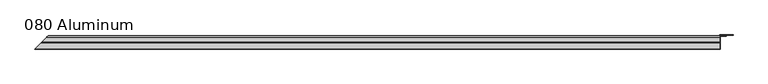
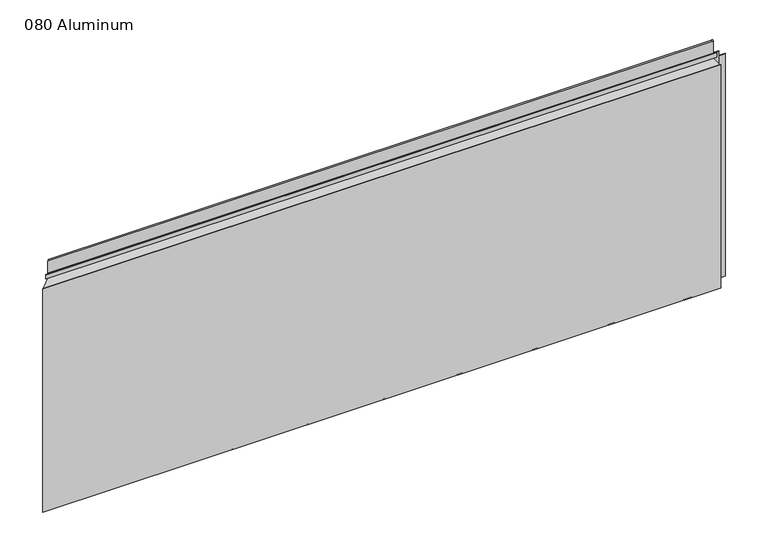
"""IFC4 building model written with IfcOpenShell, lengths in millimetres: plate geometry, 080 Aluminum."""

import ifcopenshell
import ifcopenshell.guid

model = None  # the IFC model being written
_history = None  # IfcOwnerHistory: only IFC2X3 demands one
_inside = {}  # id of a spatial element -> (the spatial element, [elements in it])
_under = {}  # id of a project, library or spatial element -> (it, [spatial elements below it])
_declared = {}  # id of a project -> (the project, [libraries it declares])
_typed = {}  # id of a type object -> (the type object, [elements of that type])
_made_of = {}  # id of a material, layer set ... -> (it, [elements and type objects made of it])


def new_model(schema):
    """Start an empty IFC model of exactly this schema.

    Asked for "IFC4X3", IfcOpenShell would pick the latest addendum, in which some entities
    have other attributes; the version numbers below select the first issue.
    IFC2X3 requires an IfcOwnerHistory on every rooted entity: one is made here for all.
    """
    global model, _history
    if schema == "IFC4X3":
        model = ifcopenshell.file(schema_version=(4, 3, 0, 0))
    else:
        model = ifcopenshell.file(schema=schema)
    _inside.clear()
    _under.clear()
    _declared.clear()
    _typed.clear()
    _made_of.clear()
    _history = None
    if model.schema == "IFC2X3":
        org = make("IfcOrganization", Name="unknown")
        user = make(
            "IfcPersonAndOrganization",
            ThePerson=make("IfcPerson", FamilyName="unknown"),
            TheOrganization=org,
        )
        app = make(
            "IfcApplication",
            ApplicationDeveloper=org,
            Version="unknown",
            ApplicationFullName="unknown",
            ApplicationIdentifier="unknown",
        )
        _history = make(
            "IfcOwnerHistory",
            OwningUser=user,
            OwningApplication=app,
            ChangeAction="ADDED",
            CreationDate=0,
        )
    return model


def make(cls, **values):
    """One entity of the class cls with the attributes given. An attribute that is None is left unset."""
    return model.create_entity(
        cls, **{name: value for name, value in values.items() if value is not None}
    )


def rooted(cls, **values):
    """An entity with a GlobalId (a new one), such as an element, a storey or a relation."""
    return make(cls, GlobalId=ifcopenshell.guid.new(), OwnerHistory=_history, **values)


def si_unit(unit_type, name, prefix=None):
    """IfcSIUnit, for example si_unit("LENGTHUNIT", "METRE", prefix="MILLI")."""
    return make("IfcSIUnit", UnitType=unit_type, Prefix=prefix, Name=name)


def assignment(units):
    """IfcUnitAssignment: the units of a project."""
    return None if units is None else make("IfcUnitAssignment", Units=units)


def point(xyz):
    """IfcCartesianPoint."""
    return None if xyz is None else make("IfcCartesianPoint", Coordinates=xyz)


def direction(xyz):
    """IfcDirection."""
    return None if xyz is None else make("IfcDirection", DirectionRatios=xyz)


def frame(location, z_axis=None, x_axis=None):
    """IfcAxis2Placement3D, a coordinate frame: its origin and axes. An axis left out is left unset."""
    return make(
        "IfcAxis2Placement3D",
        Location=point(location),
        Axis=direction(z_axis),
        RefDirection=direction(x_axis),
    )


def origin():
    """The frame at (0, 0, 0) with its axes left unset."""
    return frame((0.0, 0.0, 0.0))


def origin_with_axes():
    """The frame at (0, 0, 0) with the z axis (0, 0, 1) and the x axis (1, 0, 0) written out."""
    return frame((0.0, 0.0, 0.0), z_axis=(0.0, 0.0, 1.0), x_axis=(1.0, 0.0, 0.0))


def place(relative_to, where):
    """IfcLocalPlacement: puts the frame where relative to a parent placement (None: the world)."""
    return make(
        "IfcLocalPlacement", PlacementRelTo=relative_to, RelativePlacement=where
    )


def context(
    kind, dimensions, precision=None, world=None, true_north=None, identifier=None
):
    """IfcGeometricRepresentationContext, for example the 3D "Model" context."""
    return make(
        "IfcGeometricRepresentationContext",
        ContextIdentifier=identifier,
        ContextType=kind,
        CoordinateSpaceDimension=dimensions,
        Precision=precision,
        WorldCoordinateSystem=world,
        TrueNorth=true_north,
    )


def project(units=None, contexts=None):
    """IfcProject with its units and contexts."""
    return rooted(
        "IfcProject",
        Name="project",
        RepresentationContexts=contexts,
        UnitsInContext=assignment(units),
    )


def spatial(cls, under=None, at=None, **own):
    """A site, building, storey or space (cls), placed at a placement, below another one or the project."""
    s = rooted(cls, ObjectPlacement=at, **own)
    if under is not None:
        _under.setdefault(under.id(), (under, []))[1].append(s)
    return s


def polyline(points):
    """IfcPolyline through the points."""
    return make("IfcPolyline", Points=[point(p) for p in points])


def circle_curve(where, radius):
    """IfcCircle in the frame where."""
    return make("IfcCircle", Position=where, Radius=radius)


def ellipse_curve(where, semi_axis1, semi_axis2):
    """IfcEllipse in the frame where."""
    return make(
        "IfcEllipse", Position=where, SemiAxis1=semi_axis1, SemiAxis2=semi_axis2
    )


def outline(outer, holes=None, kind="AREA"):
    """IfcArbitraryClosedProfileDef: a profile drawn as a closed curve; with holes, ...WithVoids."""
    if holes is None:
        return make("IfcArbitraryClosedProfileDef", ProfileType=kind, OuterCurve=outer)
    return make(
        "IfcArbitraryProfileDefWithVoids",
        ProfileType=kind,
        OuterCurve=outer,
        InnerCurves=holes,
    )


def extrude(swept, where, along, depth):
    """IfcExtrudedAreaSolid: the profile swept, set in the frame where, extruded along a direction by depth."""
    return make(
        "IfcExtrudedAreaSolid",
        SweptArea=swept,
        Position=where,
        ExtrudedDirection=direction(along),
        Depth=depth,
    )


def shape(context_of_items, identifier, shape_type, items):
    """IfcShapeRepresentation: the items that make up one representation, for example the "Body"."""
    return make(
        "IfcShapeRepresentation",
        ContextOfItems=context_of_items,
        RepresentationIdentifier=identifier,
        RepresentationType=shape_type,
        Items=items,
    )


def source(mapping_origin, context_of_items, identifier, shape_type, items):
    """IfcRepresentationMap: a shape defined once, which mapped items show again and again."""
    return make(
        "IfcRepresentationMap",
        MappingOrigin=mapping_origin,
        MappedRepresentation=shape(context_of_items, identifier, shape_type, items),
    )


def transform(
    local_origin,
    x_axis=None,
    y_axis=None,
    z_axis=None,
    scale=None,
    scale2=None,
    scale3=None,
    uniform=True,
):
    """IfcCartesianTransformationOperator3D, or its non-uniform kind. x_axis, y_axis, z_axis: its Axis1, 2, 3."""
    if uniform:
        return make(
            "IfcCartesianTransformationOperator3D",
            Axis1=direction(x_axis),
            Axis2=direction(y_axis),
            LocalOrigin=point(local_origin),
            Scale=scale,
            Axis3=direction(z_axis),
        )
    return make(
        "IfcCartesianTransformationOperator3DnonUniform",
        Axis1=direction(x_axis),
        Axis2=direction(y_axis),
        LocalOrigin=point(local_origin),
        Scale=scale,
        Axis3=direction(z_axis),
        Scale2=scale2,
        Scale3=scale3,
    )


def mapped(mapping_source, mapping_target):
    """IfcMappedItem: shows the shape of a source again, moved by a transform."""
    return make(
        "IfcMappedItem", MappingSource=mapping_source, MappingTarget=mapping_target
    )


def made_of(thing, what):
    """Note that an element or type object is made of a material, layer set ...; save() writes the relation."""
    if what is not None:
        _made_of.setdefault(what.id(), (what, []))[1].append(thing)
    return thing


def element(
    cls,
    number,
    at=None,
    inside=None,
    cuts=None,
    type_object=None,
    material=None,
    context=None,
    identifier="Body",
    shape_type=None,
    held_by="IfcProductDefinitionShape",
    body=None,
    shapes=None,
    **own,
):
    """One element of the class cls, such as IfcWall. Its Tag is "e" and its number.

    at: its placement. inside: the storey or other place that contains it. cuts: it is an
    opening in that element (IfcRelVoidsElement). A single representation is given by context,
    identifier, shape_type and body (its items); several are given by shapes. held_by: the class
    of the entity that holds the representations. save() writes the other relations.
    """
    e = rooted(cls, Tag="e%d" % number, ObjectPlacement=at, **own)
    if body is not None:
        shapes = [shape(context, identifier, shape_type, body)]
    if shapes is not None:
        e.Representation = make(held_by, Representations=shapes)
    if inside is not None:
        _inside.setdefault(inside.id(), (inside, []))[1].append(e)
    if cuts is not None:
        rooted(
            "IfcRelVoidsElement", RelatingBuildingElement=cuts, RelatedOpeningElement=e
        )
    if type_object is not None:
        _typed.setdefault(type_object.id(), (type_object, []))[1].append(e)
    return made_of(e, material)


def aggregate(whole, parts):
    """IfcRelAggregates: a whole, such as a stair, and the parts it consists of."""
    return rooted("IfcRelAggregates", RelatingObject=whole, RelatedObjects=parts)


def save(model, path):
    """Write the relations noted so far, then the file.

    IfcRelAggregates (storeys below a building ...), IfcRelContainedInSpatialStructure (elements
    in a storey), IfcRelDefinesByType, IfcRelAssociatesMaterial and IfcRelDeclares: one each for
    every whole, place, type object, material and project.
    """
    for whole, parts in _under.values():
        aggregate(whole, parts)
    for where, things in _inside.values():
        rooted(
            "IfcRelContainedInSpatialStructure",
            RelatedElements=things,
            RelatingStructure=where,
        )
    for kind, things in _typed.values():
        rooted("IfcRelDefinesByType", RelatedObjects=things, RelatingType=kind)
    for what, things in _made_of.values():
        rooted("IfcRelAssociatesMaterial", RelatedObjects=things, RelatingMaterial=what)
    for by, libraries in _declared.values():
        rooted("IfcRelDeclares", RelatingContext=by, RelatedDefinitions=libraries)
    model.write(path)


def plane_surface(at):
    """IfcPlane: the flat surface through the origin of the frame at, square to its z axis."""
    return make("IfcPlane", Position=at)


def cylinder_surface(at, radius):
    """IfcCylindricalSurface: all points at the distance radius from the z axis of the frame at."""
    return make("IfcCylindricalSurface", Position=at, Radius=radius)


def revolved_surface(curve, axis_point, axis_direction):
    """IfcSurfaceOfRevolution: the curve turned about the line through axis_point along axis_direction."""
    return make(
        "IfcSurfaceOfRevolution",
        SweptCurve=make("IfcArbitraryOpenProfileDef", ProfileType="CURVE", Curve=curve),
        AxisPosition=make("IfcAxis1Placement", Location=point(axis_point), Axis=direction(axis_direction)),
    )


def advanced_brep(points, edges, surfaces, faces):
    """IfcAdvancedBrep: a solid bounded by faces that lie on surfaces and meet in shared edges.

    An edge is (start, end): straight between two places in points (the first is 0);
    or (start, end, curve); or (start, end, curve, False) where it runs against its curve.
    A face is (place in surfaces, loops), or (place, loops, False) where it looks against
    its surface's normal. A loop lists edges by number (the first is 1), with a minus sign
    where the edge is run from its end to its start. The first loop is the outer one.
    """
    corners = [point(p) for p in points]
    vertices = [make("IfcVertexPoint", VertexGeometry=c) for c in corners]
    made = []
    for start, end, *more in edges:
        made.append(
            make(
                "IfcEdgeCurve",
                EdgeStart=vertices[start],
                EdgeEnd=vertices[end],
                EdgeGeometry=more[0] if more else make("IfcPolyline", Points=[corners[start], corners[end]]),
                SameSense=more[1] if len(more) > 1 else True,
            )
        )
    hull = []
    for where, loops, *sense in faces:
        bounds = []
        for j, loop in enumerate(loops):
            ring = [make("IfcOrientedEdge", EdgeElement=made[abs(k) - 1], Orientation=k > 0) for k in loop]
            bounds.append(
                make(
                    "IfcFaceOuterBound" if j == 0 else "IfcFaceBound",
                    Bound=make("IfcEdgeLoop", EdgeList=ring),
                    Orientation=True,
                )
            )
        hull.append(make("IfcAdvancedFace", Bounds=bounds, FaceSurface=surfaces[where], SameSense=sense[0] if sense else True))
    return make("IfcAdvancedBrep", Outer=make("IfcClosedShell", CfsFaces=hull))


def plate_080_aluminum_5ebf8a37(model_context):
    return source(origin(), model_context, "Body", "SolidModel", [
        advanced_brep(
        [(849.6299998, -16.6765477, 13.1458337), (849.6299998, -23.0264743, 13.124237), (849.6299998, -23.0264743, 1.2693678), (849.6299998, -34.7980002, 1.2693678), (849.6299998, -34.7980002, 0.0), (849.6299998, -21.7564743, 0.0), (849.6299998, -21.7564743, 13.124237), (849.6299998, -17.9464915, 13.1323356), (849.6299998, -17.9464915, 2.786437), (849.6299998, -16.6765477, 2.786437), (-880.2765476, -16.6765477, 2.786437), (-880.2765476, -16.6765477, 13.1458337), (-881.5464913, -17.9464915, 2.786437), (-881.5464913, -17.9464915, 13.1323356), (-885.3564741, -21.7564743, 13.124237), (-885.3564741, -21.7564743, 0.0), (-898.3979998, -34.7980002, 0.0), (-898.3979998, -34.7980002, 1.2693678), (-886.6264741, -23.0264743, 1.2693678), (-886.6264741, -23.0264743, 13.124237)],
        [
            (0, 1, circle_curve(frame((849.6299998, -19.8514743, 13.124237), z_axis=(1.0, 0.0, 0.0), x_axis=(0.0, 0.0, -1.0)), 3.175)),
            (1, 2),
            (2, 3),
            (3, 4),
            (4, 5),
            (5, 6),
            (6, 7, circle_curve(frame((849.6299998, -19.8514743, 13.124237), z_axis=(-1.0, 0.0, 0.0), x_axis=(0.0, 0.0, -1.0)), 1.905)),
            (7, 8),
            (8, 9),
            (9, 0),
            (9, 10),
            (10, 11),
            (11, 0),
            (8, 12),
            (12, 10),
            (7, 13),
            (13, 12),
            (6, 14),
            (14, 13, ellipse_curve(frame((-883.4514741, -19.8514743, 13.124237), z_axis=(-0.7071067811865465, 0.7071067811865488, 0.0), x_axis=(0.7071067811865486, 0.7071067811865465, 0.0)), 2.6940768, 1.905)),
            (5, 15),
            (15, 14),
            (4, 16),
            (16, 15),
            (3, 17),
            (17, 16),
            (2, 18),
            (18, 17),
            (1, 19),
            (19, 18),
            (11, 19, ellipse_curve(frame((-883.4514741, -19.8514743, 13.124237), z_axis=(0.7071067811865465, -0.7071067811865488, 0.0), x_axis=(-0.7071067811865486, -0.7071067811865465, 0.0)), 4.4901281, 3.175)),
        ],
        [
            plane_surface(frame((849.6299998, -36.068, 0.0), z_axis=(1.0, 0.0, 0.0), x_axis=(0.0, 0.0, 1.0))),
            plane_surface(frame((-898.3979998, -16.6765477, 13.1458337), z_axis=(0.0, 1.0, 0.0), x_axis=(1.0, 0.0, 0.0))),
            plane_surface(frame((-898.3979998, -16.6765477, 2.786437), z_axis=(0.0, 0.0, -1.0), x_axis=(1.0, 0.0, 0.0))),
            plane_surface(frame((-898.3979998, -17.9464915, 2.786437), z_axis=(0.0, -1.0, 0.0), x_axis=(1.0, 0.0, 0.0))),
            revolved_surface(polyline([(849.6299998, -19.8514743, 11.219237000000001), (-885.3564741, -19.8514743, 11.219237000000001)]), (-898.3979998, -19.8514743, 13.124237), (1.0, 0.0, 0.0)),
            plane_surface(frame((-898.3979998, -21.7564743, 13.124237), z_axis=(0.0, 1.0, 0.0), x_axis=(1.0, 0.0, 0.0))),
            plane_surface(frame((-898.3979998, -21.7564743, 0.0), z_axis=(0.0, 0.0, -1.0), x_axis=(1.0, 0.0, 0.0))),
            plane_surface(frame((-898.3979998, -34.7980002, 0.0), z_axis=(0.0, -1.0, 0.0), x_axis=(1.0, 0.0, 0.0))),
            plane_surface(frame((-898.3979998, -34.7980002, 1.2693678), z_axis=(0.0, 0.0, 1.0), x_axis=(1.0, 0.0, 0.0))),
            plane_surface(frame((-898.3979998, -23.0264743, 1.2693678), z_axis=(0.0, -1.0, 0.0), x_axis=(1.0, 0.0, 0.0))),
            cylinder_surface(frame((-898.3979998, -19.8514743, 13.124237), z_axis=(-1.0, 0.0, 0.0), x_axis=(0.0, 0.0, -1.0)), 3.175),
            plane_surface(frame((-899.6679998, -36.068, 795.4549971), z_axis=(-0.7071067811865465, 0.7071067811865488, 0.0), x_axis=(0.0, 0.0, -1.0))),
        ],
        [
            (0, [[1, 2, 3, 4, 5, 6, 7, 8, 9, 10]]),
            (1, [[-10, 11, 12, 13]]),
            (2, [[-9, 14, 15, -11]]),
            (3, [[-8, 16, 17, -14]]),
            (4, [[-7, 18, 19, -16]]),
            (5, [[-6, 20, 21, -18]]),
            (6, [[-5, 22, 23, -20]]),
            (7, [[-4, 24, 25, -22]]),
            (8, [[-3, 26, 27, -24]]),
            (9, [[-2, 28, 29, -26]]),
            (10, [[-1, -13, 30, -28]]),
            (11, [[-12, -15, -17, -19, -21, -23, -25, -27, -29, -30]]),
        ],
    ),
        advanced_brep(
        [(849.6299998, -2.0574743, 656.7932001), (849.6299998, -5.3594742, 656.7932001), (849.6299998, -5.3594742, 623.57), (849.6299998, -19.2164743, 623.57), (849.6299998, -19.2164743, 633.6538), (849.6299998, -20.4864742, 633.6538), (849.6299998, -20.4864742, 622.3), (849.6299998, -4.0894742, 622.3), (849.6299998, -4.0894742, 656.7932001), (849.6299998, -3.3274743, 656.7932001), (849.6299998, -3.3274743, 609.6000001), (849.6299998, -34.7980002, 609.6000001), (849.6299998, -34.7980002, 608.33), (849.6299998, -2.0574743, 608.33), (-865.6574741, -2.0574743, 608.33), (-865.6574741, -2.0574743, 656.7932001), (-898.3979998, -34.7980002, 608.33), (-898.3979998, -34.7980002, 609.6000001), (-866.9274741, -3.3274743, 609.6000001), (-866.9274741, -3.3274743, 656.7932001), (-867.689474, -4.0894742, 656.7932001), (-867.689474, -4.0894742, 622.3), (-884.0864741, -20.4864742, 622.3), (-884.0864741, -20.4864742, 633.6538), (-882.8164742, -19.2164743, 633.6538), (-882.8164742, -19.2164743, 623.57), (-868.959474, -5.3594742, 623.57), (-868.959474, -5.3594742, 656.7932001)],
        [
            (0, 1, circle_curve(frame((849.6299998, -3.7084742, 656.7932001), z_axis=(1.0, 0.0, 0.0), x_axis=(0.0, 0.0, -1.0)), 1.6509999)),
            (1, 2),
            (2, 3),
            (3, 4),
            (4, 5),
            (5, 6),
            (6, 7),
            (7, 8),
            (8, 9, circle_curve(frame((849.6299998, -3.7084742, 656.7932001), z_axis=(-1.0, 0.0, 0.0), x_axis=(0.0, 0.0, -1.0)), 0.3809999)),
            (9, 10),
            (10, 11),
            (11, 12),
            (12, 13),
            (13, 0),
            (13, 14),
            (14, 15),
            (15, 0),
            (12, 16),
            (16, 14),
            (11, 17),
            (17, 16),
            (10, 18),
            (18, 17),
            (9, 19),
            (19, 18),
            (8, 20),
            (20, 19, ellipse_curve(frame((-867.3084741, -3.7084742, 656.7932001), z_axis=(-0.7071067811865465, 0.7071067811865488, 0.0), x_axis=(0.7071067811865486, 0.7071067811865465, 0.0)), 0.5388153, 0.3809999)),
            (7, 21),
            (21, 20),
            (6, 22),
            (22, 21),
            (5, 23),
            (23, 22),
            (4, 24),
            (24, 23),
            (3, 25),
            (25, 24),
            (2, 26),
            (26, 25),
            (1, 27),
            (27, 26),
            (15, 27, ellipse_curve(frame((-867.3084741, -3.7084742, 656.7932001), z_axis=(0.7071067811865465, -0.7071067811865488, 0.0), x_axis=(-0.7071067811865486, -0.7071067811865465, 0.0)), 2.3348665, 1.6509999)),
        ],
        [
            plane_surface(frame((849.6299998, -36.068, 609.6), z_axis=(1.0, 0.0, 0.0), x_axis=(0.0, 0.0, 1.0))),
            plane_surface(frame((-898.3979998, -2.0574743, 656.7932001), z_axis=(0.0, 1.0, 0.0), x_axis=(1.0, 0.0, 0.0))),
            plane_surface(frame((-898.3979998, -2.0574743, 608.33), z_axis=(0.0, 0.0, -1.0), x_axis=(1.0, 0.0, 0.0))),
            plane_surface(frame((-898.3979998, -34.7980002, 608.33), z_axis=(0.0, -1.0, 0.0), x_axis=(1.0, 0.0, 0.0))),
            plane_surface(frame((-898.3979998, -34.7980002, 609.6000001), z_axis=(0.0, 0.0, 1.0), x_axis=(1.0, 0.0, 0.0))),
            plane_surface(frame((-898.3979998, -3.3274743, 609.6000001), z_axis=(0.0, -1.0, 0.0), x_axis=(1.0, 0.0, 0.0))),
            revolved_surface(polyline([(849.6299998, -3.7084742, 656.4122002), (-867.689474052437, -3.7084742, 656.4122002)]), (-898.3979998, -3.7084742, 656.7932001), (1.0, 0.0, 0.0)),
            plane_surface(frame((-898.3979998, -4.0894742, 656.7932001), z_axis=(0.0, 1.0, 0.0), x_axis=(1.0, 0.0, 0.0))),
            plane_surface(frame((-898.3979998, -4.0894742, 622.3), z_axis=(0.0, 0.0, -1.0), x_axis=(1.0, 0.0, 0.0))),
            plane_surface(frame((-898.3979998, -20.4864742, 622.3), z_axis=(0.0, -1.0, 0.0), x_axis=(1.0, 0.0, 0.0))),
            plane_surface(frame((-898.3979998, -20.4864742, 633.6538), z_axis=(0.0, 0.0, 1.0), x_axis=(1.0, 0.0, 0.0))),
            plane_surface(frame((-898.3979998, -19.2164743, 633.6538), z_axis=(0.0, 1.0, 0.0), x_axis=(1.0, 0.0, 0.0))),
            plane_surface(frame((-898.3979998, -19.2164743, 623.57), z_axis=(0.0, 0.0, 1.0), x_axis=(1.0, 0.0, 0.0))),
            plane_surface(frame((-898.3979998, -5.3594742, 623.57), z_axis=(0.0, -1.0, 0.0), x_axis=(1.0, 0.0, 0.0))),
            cylinder_surface(frame((-898.3979998, -3.7084742, 656.7932001), z_axis=(-1.0, 0.0, 0.0), x_axis=(0.0, 0.0, -1.0)), 1.6509999),
            plane_surface(frame((-899.6679998, -36.068, 795.4549971), z_axis=(-0.7071067811865465, 0.7071067811865488, 0.0), x_axis=(0.0, 0.0, -1.0))),
        ],
        [
            (0, [[1, 2, 3, 4, 5, 6, 7, 8, 9, 10, 11, 12, 13, 14]]),
            (1, [[-14, 15, 16, 17]]),
            (2, [[-13, 18, 19, -15]]),
            (3, [[-12, 20, 21, -18]]),
            (4, [[-11, 22, 23, -20]]),
            (5, [[-10, 24, 25, -22]]),
            (6, [[-9, 26, 27, -24]]),
            (7, [[-8, 28, 29, -26]]),
            (8, [[-7, 30, 31, -28]]),
            (9, [[-6, 32, 33, -30]]),
            (10, [[-5, 34, 35, -32]]),
            (11, [[-4, 36, 37, -34]]),
            (12, [[-3, 38, 39, -36]]),
            (13, [[-2, 40, 41, -38]]),
            (14, [[-1, -17, 42, -40]]),
            (15, [[-16, -19, -21, -23, -25, -27, -29, -31, -33, -35, -37, -39, -41, -42]]),
        ],
    ),
        extrude(outline(polyline([(850.8999998, -34.7980001), (850.8999998, -36.068), (-899.6679998, -36.068), (-898.3979999, -34.7980001), (850.8999998, -34.7980001)])), origin_with_axes(), (0.0, 0.0, 1.0), 609.6),
        extrude(outline(polyline([(850.8999998, -1.2699999), (850.8999998, -34.7980002), (849.6299999, -34.7980002), (849.6299999, 0.0), (883.4120855, 0.0), (883.4120855, -1.2699999), (850.8999998, -1.2699999)])), origin_with_axes(), (0.0, 0.0, 1.0), 608.33),
        extrude(outline(polyline([(849.6299998, -3.3274743), (849.6299998, -2.0574743), (865.3779998, -2.0574743), (865.3779998, -3.3274743), (849.6299998, -3.3274743)])), origin_with_axes(), (0.0, 0.0, 1.0), 622.3),
    ])


if __name__ == "__main__":
    model = new_model("IFC4")
    model_context = context("Model", 3, world=origin())
    ifc_project = project(units=[si_unit("LENGTHUNIT", "METRE", prefix="MILLI")], contexts=[model_context])
    site = spatial("IfcSite", under=ifc_project)
    building = spatial("IfcBuilding", under=site)
    placement = place(None, origin())
    plate_080_aluminum_shape = plate_080_aluminum_5ebf8a37(model_context)
    element("IfcPlate", 1, ObjectType="080 Aluminum", at=placement, inside=building, context=model_context, shape_type="MappedRepresentation", body=[
        mapped(plate_080_aluminum_shape, transform((0.0, 0.0, 0.0), x_axis=(1.0, 0.0, 0.0), y_axis=(0.0, 1.0, 0.0), z_axis=(0.0, 0.0, 1.0))),
    ])
    save(model, "model.ifc")
